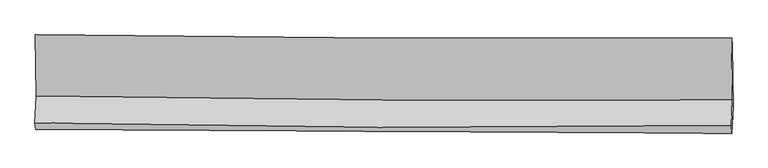
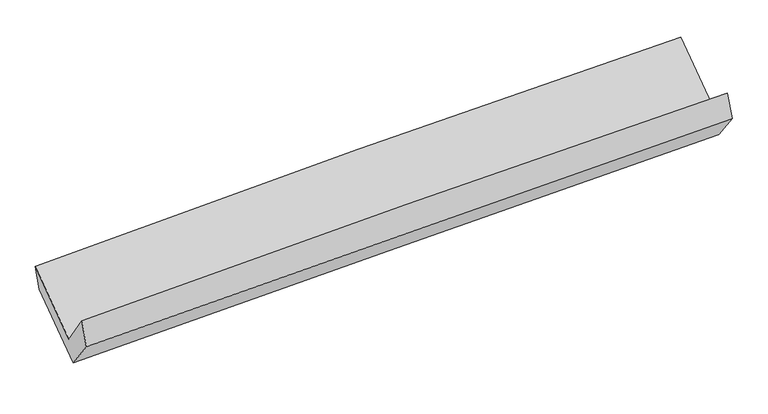
"""IFC4 building model written with IfcOpenShell, lengths in millimetres: proxy geometry."""

from ifc_helpers import new_model, si_unit, frame, origin, place, context, project, spatial, source, transform, mapped, element, save
from ifc_brep_helpers import plane_surface, spline_curve, spline_surface, advanced_brep


def generic_models_af74350b(model_context):
    return source(origin(), model_context, "Body", "AdvancedBrep", [
        advanced_brep(
        [(-3022.4720294, -1170.114147, 2136.2369376), (-3014.4476872, -1700.8757672, 1732.0493752), (3007.0579748, -1734.4201558, 1906.3501943), (2998.6454544, -1199.6790951, 2313.5577347), (-3024.7633764, -1932.1396278, 2058.7412329), (2997.115365, -1957.1718615, 2221.017338), (-3018.974304, -1992.2484834, 1835.3073207), (3002.7441769, -2022.6809642, 2005.5259755), (-3009.5297803, -1766.5737847, 1539.1485723), (3012.3154511, -1793.977591, 1705.3926191), (-3017.4307502, -1230.1687711, 1940.0366286), (3004.2062365, -1265.3010353, 2100.4944837)],
        [
            (0, 1),
            (1, 2, spline_curve(3, [(-3014.4476872, -1700.8757672, 1732.0493752), (-2011.461227019, -1719.345221997, 1780.124769445), (-1008.175627102, -1731.375313649, 1818.687537049), (998.992927744, -1742.556764397, 1876.787792365), (2002.875881675, -1741.708135786, 1896.325297899), (3007.0579748, -1734.4201558, 1906.3501943)], [4, 2, 4], [0.0, 9.88248844505661, 19.76496777794068])),
            (2, 3),
            (3, 0, spline_curve(3, [(2998.6454544, -1199.6790951, 2313.5577347), (1994.470596238, -1203.878806883, 2305.886347458), (990.623608234, -1203.514920202, 2287.273932844), (-1016.415553932, -1193.659945854, 2228.167020707), (-2019.607726988, -1184.168849782, 2187.672503095), (-3022.4720294, -1170.114147, 2136.2369376)], [4, 2, 4], [0.0, 9.882479332884069, 19.76496777794068])),
            (1, 4),
            (4, 5, spline_curve(3, [(-3024.7633764, -1932.1396278, 2058.7412329), (-2021.929185073, -1953.995500528, 2111.600382386), (-1018.688629342, -1967.009453423, 2151.55296606), (988.604284927, -1975.35351473, 2205.644977602), (1992.656643138, -1970.683640143, 2219.784428752), (2997.115365, -1957.1718615, 2221.017338)], [4, 2, 4], [0.0, 9.883136324539306, 19.766263536308692])),
            (5, 2),
            (4, 6),
            (6, 7, spline_curve(3, [(-3018.974304, -1992.2484834, 1835.3073207), (-2015.399053445, -1997.360407774, 1865.273814749), (-1011.801323192, -2002.452410988, 1894.441956195), (995.438170401, -2012.596571535, 1951.181506047), (1999.079933903, -2017.648728319, 1978.752916578), (3002.7441769, -2022.6809642, 2005.5259755)], [4, 2, 4], [0.0, 9.88253306721318, 19.765057022212673])),
            (7, 5),
            (6, 8),
            (8, 9, spline_curve(3, [(-3009.5297803, -1766.5737847, 1539.1485723), (-2006.144701513, -1776.229818629, 1575.078419307), (-1002.631494362, -1783.341486337, 1606.897017768), (1004.650249352, -1792.476083452, 1662.311692284), (2008.418786409, -1794.49901818, 1685.907776104), (3012.3154511, -1793.977591, 1705.3926191)], [4, 2, 4], [0.0, 9.882268032396366, 19.764526952823424])),
            (9, 7),
            (8, 10),
            (10, 11, spline_curve(3, [(-3017.4307502, -1230.1687711, 1940.0366286), (-2014.082552531, -1241.020489768, 1975.071134412), (-1010.6051402, -1249.374037861, 2005.959879585), (996.607188822, -1261.08478814, 2059.445823557), (2000.342105386, -1264.441994471, 2082.043030318), (3004.2062365, -1265.3010353, 2100.4944837)], [4, 2, 4], [0.0, 9.882091176030432, 19.764173240254625])),
            (11, 9),
            (10, 0),
            (3, 11),
        ],
        [
            spline_surface(3, 3, [[(-3022.4720294, -1170.114147, 2136.2369376), (-2019.60772687, -1184.168849742, 2187.672503039), (-1016.415553788, -1193.659945897, 2228.167020685), (990.62360809, -1203.51492016, 2287.273932865), (1994.470596261, -1203.878806748, 2305.886347606), (2998.6454544, -1199.6790951, 2313.5577347)], [(-3019.797248671, -1347.034687064, 2001.507750128), (-2016.892226912, -1362.56097383, 2051.823258472), (-1013.668911487, -1372.898401775, 2091.673859475), (993.413381284, -1383.195534947, 2150.445219427), (1997.272358025, -1383.155249807, 2169.365997705), (3001.449627864, -1377.926115351, 2177.82188791)], [(-3017.122467929, -1523.955227136, 1866.778562672), (-2014.176726942, -1540.953097927, 1915.974013921), (-1010.922269259, -1552.136857649, 1955.18069817), (996.203154406, -1562.876149731, 2013.616505893), (2000.074119797, -1562.431692814, 2032.845647775), (3004.253801336, -1556.173135549, 2042.08604109)], [(-3014.4476872, -1700.8757672, 1732.0493752), (-2011.461226984, -1719.345222015, 1780.124769354), (-1008.175626958, -1731.375313527, 1818.687536959), (998.992927601, -1742.556764518, 1876.787792455), (2002.87588156, -1741.708135873, 1896.325297873), (3007.0579748, -1734.4201558, 1906.3501943)]], [4, 4], [4, 2, 4], [0.0, 2.2203467766575167], [0.0, 9.88248844505661, 19.76496777794068]),
            spline_surface(3, 3, [[(-3014.4476872, -1700.8757672, 1732.0493752), (-2011.461226984, -1719.345222015, 1780.124769354), (-1008.175626958, -1731.375313527, 1818.687536959), (998.992927601, -1742.556764518, 1876.787792455), (2002.87588156, -1741.708135873, 1896.325297873), (3007.0579748, -1734.4201558, 1906.3501943)], [(-3017.886250269, -1777.963720718, 1840.946661101), (-2014.950546353, -1797.561981504, 1890.616640383), (-1011.67996114, -1809.920026779, 1929.642680042), (995.530046751, -1820.155681311, 1986.406854115), (1999.469468789, -1818.033303922, 2004.145008142), (3003.743771529, -1808.670724371, 2011.239242191)], [(-3021.324813331, -1855.051674282, 1949.843946999), (-2018.439865716, -1875.77874104, 2001.108511408), (-1015.184295303, -1888.464740018, 2040.597823135), (992.067165919, -1897.754598091, 2096.025915784), (1996.063056031, -1894.358471957, 2111.964718439), (3000.429568271, -1882.921292929, 2116.128290109)], [(-3024.7633764, -1932.1396278, 2058.7412329), (-2021.929185085, -1953.99550053, 2111.600382437), (-1018.688629485, -1967.00945327, 2151.552966218), (988.60428507, -1975.353514883, 2205.644977444), (1992.65664326, -1970.683640005, 2219.784428708), (2997.115365, -1957.1718615, 2221.017338)]], [4, 4], [4, 2, 4], [0.0, 1.3304010098315961], [0.0, 9.883136324539306, 19.766263536308692]),
            spline_surface(3, 3, [[(-3024.7633764, -1932.1396278, 2058.7412329), (-2021.929185085, -1953.99550053, 2111.600382437), (-1018.688629485, -1967.00945327, 2151.552966218), (988.60428507, -1975.353514883, 2205.644977444), (1992.65664326, -1970.683640005, 2219.784428708), (2997.115365, -1957.1718615, 2221.017338)], [(-3022.833685571, -1952.175913017, 1984.263262175), (-2019.752474467, -1968.450469622, 2029.491526597), (-1016.392860716, -1978.823772587, 2065.849296164), (990.882246868, -1987.767867069, 2120.823820354), (1994.797740174, -1986.338669413, 2139.440591353), (2998.991635627, -1979.008229056, 2149.186883837)], [(-3020.903994829, -1972.212198183, 1909.785291425), (-2017.575763936, -1982.905438664, 1947.382670732), (-1014.097091985, -1990.638091834, 1980.145626116), (993.160208629, -2000.182219186, 2036.00266327), (1996.938837107, -2001.993698854, 2059.096753986), (3000.867906273, -2000.844596644, 2077.356429663)], [(-3018.974304, -1992.2484834, 1835.3073207), (-2015.399053318, -1997.360407757, 1865.273814893), (-1011.801323217, -2002.452411151, 1894.441956062), (995.438170427, -2012.596571372, 1951.181506179), (1999.079934021, -2017.648728262, 1978.752916631), (3002.7441769, -2022.6809642, 2005.5259755)]], [4, 4], [4, 2, 4], [0.0, 0.8479241373999317], [0.0, 9.88253306721318, 19.765057022212673]),
            spline_surface(3, 3, [[(-3018.974304, -1992.2484834, 1835.3073207), (-2015.399053318, -1997.360407757, 1865.273814893), (-1011.801323217, -2002.452411151, 1894.441956062), (995.438170427, -2012.596571372, 1951.181506179), (1999.079934021, -2017.648728262, 1978.752916631), (3002.7441769, -2022.6809642, 2005.5259755)], [(-3015.826129443, -1917.023583833, 1736.587737879), (-2012.314269342, -1923.650211412, 1768.542016317), (-1008.744713667, -1929.415436144, 1798.593643273), (998.508863434, -1939.223075422, 1854.891568248), (2002.192884846, -1943.265491585, 1881.137869806), (3005.934601634, -1946.446506462, 1905.48152336)], [(-3012.677954857, -1841.798684267, 1637.868155121), (-2009.229485338, -1849.940015069, 1671.810217805), (-1005.688104063, -1856.378461205, 1702.745330471), (1001.579556495, -1865.849579541, 1758.601630303), (2005.305835669, -1868.882254923, 1783.522823001), (3009.125026366, -1870.212048738, 1805.43707124)], [(-3009.5297803, -1766.5737847, 1539.1485723), (-2006.144701363, -1776.229818725, 1575.078419229), (-1002.631494513, -1783.341486197, 1606.897017682), (1004.650249503, -1792.476083592, 1662.311692371), (2008.418786494, -1794.499018246, 1685.907776177), (3012.3154511, -1793.977591, 1705.3926191)]], [4, 4], [4, 2, 4], [0.0, 1.1891812462952962], [0.0, 9.882268032396366, 19.764526952823424]),
            spline_surface(3, 3, [[(-3009.5297803, -1766.5737847, 1539.1485723), (-2006.144701363, -1776.229818725, 1575.078419229), (-1002.631494513, -1783.341486197, 1606.897017682), (1004.650249503, -1792.476083592, 1662.311692371), (2008.418786494, -1794.499018246, 1685.907776177), (3012.3154511, -1793.977591, 1705.3926191)], [(-3012.163436951, -1587.772113479, 1672.777924411), (-2008.790651795, -1597.826709049, 1708.409324313), (-1005.289376412, -1605.352336787, 1739.917971623), (1001.969229313, -1615.34565176, 1794.689736097), (2005.726559477, -1617.813343697, 1817.95286085), (3009.612379573, -1617.752072427, 1837.093240628)], [(-3014.797093549, -1408.970442321, 1806.407276489), (-2011.436602175, -1419.423599436, 1841.740229362), (-1007.947258361, -1427.363187346, 1872.938925608), (999.288209072, -1438.215219897, 1927.067779866), (2003.034332444, -1441.127669167, 1949.99794554), (3006.909308027, -1441.526553873, 1968.793862172)], [(-3017.4307502, -1230.1687711, 1940.0366286), (-2014.082552608, -1241.02048976, 1975.071134446), (-1010.60514026, -1249.374037937, 2005.95987955), (996.607188882, -1261.084788064, 2059.445823592), (2000.342105427, -1264.441994619, 2082.043030213), (3004.2062365, -1265.3010353, 2100.4944837)]], [4, 4], [4, 2, 4], [0.0, 2.1819283916892003], [0.0, 9.882091176030432, 19.764173240254625]),
            spline_surface(3, 3, [[(-3017.4307502, -1230.1687711, 1940.0366286), (-2014.082552608, -1241.02048976, 1975.071134446), (-1010.60514026, -1249.374037937, 2005.95987955), (996.607188882, -1261.084788064, 2059.445823592), (2000.342105427, -1264.441994619, 2082.043030213), (3004.2062365, -1265.3010353, 2100.4944837)], [(-3019.111176596, -1210.15056309, 2005.436731605), (-2015.924277358, -1222.069943111, 2045.938257315), (-1012.541944799, -1230.802673907, 2080.028926579), (994.612661921, -1241.89483208, 2135.388526667), (1998.384935712, -1244.254265329, 2156.657469352), (3002.352642474, -1243.427055234, 2171.515567374)], [(-3020.791603004, -1190.13235501, 2070.836834595), (-2017.76600212, -1203.119396392, 2116.80538017), (-1014.478749248, -1212.231309926, 2154.097973656), (992.61813505, -1222.704876144, 2211.33122979), (1996.427765976, -1224.066536038, 2231.271908468), (3000.499048426, -1221.553075166, 2242.536651026)], [(-3022.4720294, -1170.114147, 2136.2369376), (-2019.60772687, -1184.168849742, 2187.672503039), (-1016.415553788, -1193.659945897, 2228.167020685), (990.62360809, -1203.51492016, 2287.273932865), (1994.470596261, -1203.878806748, 2305.886347606), (2998.6454544, -1199.6790951, 2313.5577347)]], [4, 4], [4, 2, 4], [0.0, 0.7615225803933198], [0.0, 9.881958094989768, 19.763907078296004]),
            plane_surface(frame((3003.6807764, -1662.2051172, 2042.0563909), z_axis=(0.9996001175333172, -0.0054098649265432175, 0.027754970525209068), x_axis=(-0.01228569963687951, 0.8009605989108657, 0.598590996070589))),
            plane_surface(frame((-3017.9363213, -1632.0200969, 1873.5866779), z_axis=(-0.9996061084890208, 0.0057982512814791385, -0.027459208901807863), x_axis=(0.02456195250053227, -0.2925961383677513, -0.9559206087859188))),
        ],
        [
            (0, [[1, 2, 3, 4]]),
            (1, [[5, 6, 7, -2]]),
            (2, [[8, 9, 10, -6]]),
            (3, [[11, 12, 13, -9]]),
            (4, [[14, 15, 16, -12]]),
            (5, [[17, -4, 18, -15]]),
            (6, [[-16, -18, -3, -7, -10, -13]]),
            (7, [[-17, -14, -11, -8, -5, -1]]),
        ],
    ),
    ])


if __name__ == "__main__":
    model = new_model("IFC4")
    model_context = context("Model", 3, world=origin())
    ifc_project = project(units=[si_unit("LENGTHUNIT", "METRE", prefix="MILLI")], contexts=[model_context])
    site = spatial("IfcSite", under=ifc_project)
    building = spatial("IfcBuilding", under=site)
    placement = place(None, origin())
    generic_models_shape = generic_models_af74350b(model_context)
    element("IfcBuildingElementProxy", 1, Name="Generic Models", at=placement, inside=building, context=model_context, shape_type="MappedRepresentation", body=[
        mapped(generic_models_shape, transform((0.0, 0.0, 0.0), x_axis=(1.0, 0.0, 0.0), y_axis=(0.0, 1.0, 0.0), z_axis=(0.0, 0.0, 1.0))),
    ])
    save(model, "model.ifc")
